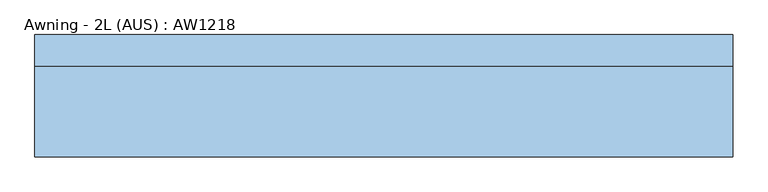
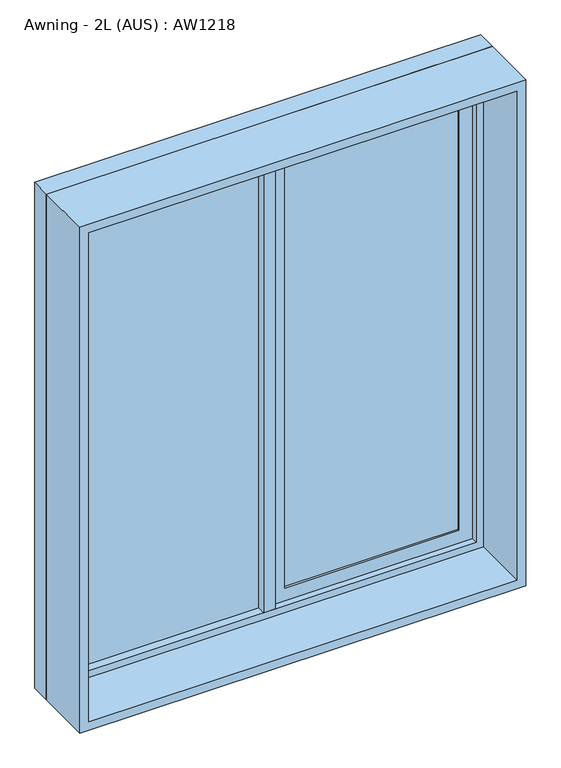
"""IFC4 building model written with IfcOpenShell, lengths in millimetres: window geometry, Awning - 2L (AUS) : AW1218."""

from ifc_helpers import new_model, si_unit, frame, origin, place, context, project, spatial, polyline, outline, extrude, source, transform, mapped, element, save


def awning_2l_aus_aw1218_641d5adc(model_context):
    return source(origin(), model_context, "Body", "SweptSolid", [
        extrude(outline(polyline([(313.173759, 9.471869), (-137.826241, 9.471869), (-137.826241, 15.471869), (313.173759, 15.471869), (313.173759, 9.471869)])), frame((0.0, 0.0, 936.0), z_axis=(0.0, 0.0, 1.0), x_axis=(1.0, 0.0, 0.0)), (0.0, 0.0, 1.0), 1128.0),
        extrude(outline(polyline([(760.173759, 9.471869), (369.173759, 9.471869), (369.173759, 15.471869), (760.173759, 15.471869), (760.173759, 9.471869)])), frame((0.0, 0.0, 966.0), z_axis=(0.0, 0.0, 1.0), x_axis=(1.0, 0.0, 0.0)), (0.0, 0.0, 1.0), 1068.0),
        extrude(outline(polyline([(936.0, 339.173759), (936.0, 790.173759), (2064.0, 790.173759), (2064.0, 339.173759), (936.0, 339.173759)]), holes=[polyline([(2034.0, 369.173759), (2034.0, 760.173759), (966.0, 760.173759), (966.0, 369.173759), (2034.0, 369.173759)])]), frame((0.0, 4.971869, 0.0), z_axis=(0.0, 1.0, 0.0), x_axis=(0.0, 0.0, 1.0)), (0.0, 0.0, 1.0), 15.0),
        extrude(outline(polyline([(339.173759, -10.028131), (313.173759, -10.028131), (313.173759, 34.971869), (339.173759, 34.971869), (339.173759, -10.028131)])), frame((0.0, 0.0, 936.0), z_axis=(0.0, 0.0, 1.0), x_axis=(1.0, 0.0, 0.0)), (0.0, 0.0, 1.0), 1128.0),
        extrude(outline(polyline([(900.0, -173.826241), (900.0, 826.173759), (2100.0, 826.173759), (2100.0, -173.826241), (900.0, -173.826241)]), holes=[polyline([(2064.0, -137.826241), (2064.0, 790.173759), (936.0, 790.173759), (936.0, -137.826241), (2064.0, -137.826241)])]), frame((0.0, -10.028131, 0.0), z_axis=(0.0, 1.0, 0.0), x_axis=(0.0, 0.0, 1.0)), (0.0, 0.0, 1.0), 45.0),
        extrude(outline(polyline([(900.0, -173.826241), (900.0, 826.173759), (2100.0, 826.173759), (2100.0, -173.826241), (900.0, -173.826241)]), holes=[polyline([(2080.0, -153.826241), (2080.0, 806.173759), (920.0, 806.173759), (920.0, -153.826241), (2080.0, -153.826241)])]), frame((0.0, -140.0, 0.0), z_axis=(0.0, 1.0, 0.0), x_axis=(0.0, 0.0, 1.0)), (0.0, 0.0, 1.0), 129.971869),
    ])


if __name__ == "__main__":
    model = new_model("IFC4")
    model_context = context("Model", 3, world=origin())
    ifc_project = project(units=[si_unit("LENGTHUNIT", "METRE", prefix="MILLI")], contexts=[model_context])
    site = spatial("IfcSite", under=ifc_project)
    building = spatial("IfcBuilding", under=site)
    placement = place(None, origin())
    awning_2l_aus_aw1218_shape = awning_2l_aus_aw1218_641d5adc(model_context)
    element("IfcWindow", 1, ObjectType="Awning - 2L (AUS) : AW1218", at=placement, inside=building, context=model_context, shape_type="MappedRepresentation", body=[
        mapped(awning_2l_aus_aw1218_shape, transform((0.0, 0.0, 0.0), x_axis=(1.0, 0.0, 0.0), y_axis=(0.0, 1.0, 0.0), z_axis=(0.0, 0.0, 1.0))),
    ])
    save(model, "model.ifc")
